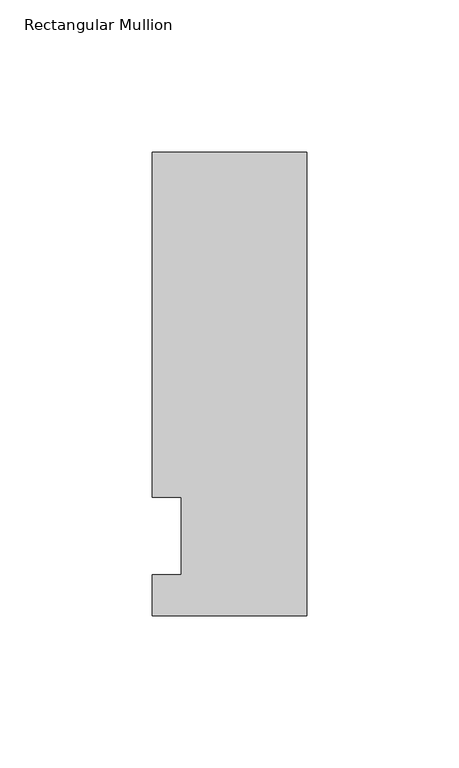
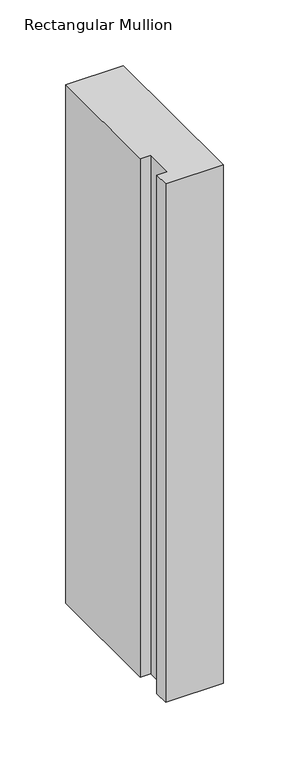
"""IFC4 building model written with IfcOpenShell, lengths in millimetres: member geometry, Rectangular Mullion."""

from ifc_helpers import new_model, si_unit, frame, origin, place, context, project, spatial, polyline, outline, extrude, source, transform, mapped, element, save


def rectangular_mullion_6b6560d3(model_context):
    return source(origin(), model_context, "Body", "SweptSolid", [
        extrude(outline(polyline([(-50.8, -26.19375), (-50.8, -12.7), (-41.275, -12.7), (-41.275, 12.7), (-50.8, 12.7), (-50.8, 126.20625), (0.0, 126.20625), (0.0, -26.19375), (-50.8, -26.19375)])), frame((0.0, 0.0, -482.6), z_axis=(0.0, 0.0, 1.0), x_axis=(1.0, 0.0, 0.0)), (0.0, 0.0, 1.0), 482.6),
    ])


if __name__ == "__main__":
    model = new_model("IFC4")
    model_context = context("Model", 3, world=origin())
    ifc_project = project(units=[si_unit("LENGTHUNIT", "METRE", prefix="MILLI")], contexts=[model_context])
    site = spatial("IfcSite", under=ifc_project)
    building = spatial("IfcBuilding", under=site)
    placement = place(None, origin())
    rectangular_mullion_shape = rectangular_mullion_6b6560d3(model_context)
    element("IfcMember", 1, ObjectType="Rectangular Mullion", at=placement, inside=building, context=model_context, shape_type="MappedRepresentation", body=[
        mapped(rectangular_mullion_shape, transform((0.0, 0.0, 0.0), x_axis=(1.0, 0.0, 0.0), y_axis=(0.0, 1.0, 0.0), z_axis=(0.0, 0.0, 1.0))),
    ])
    save(model, "model.ifc")
